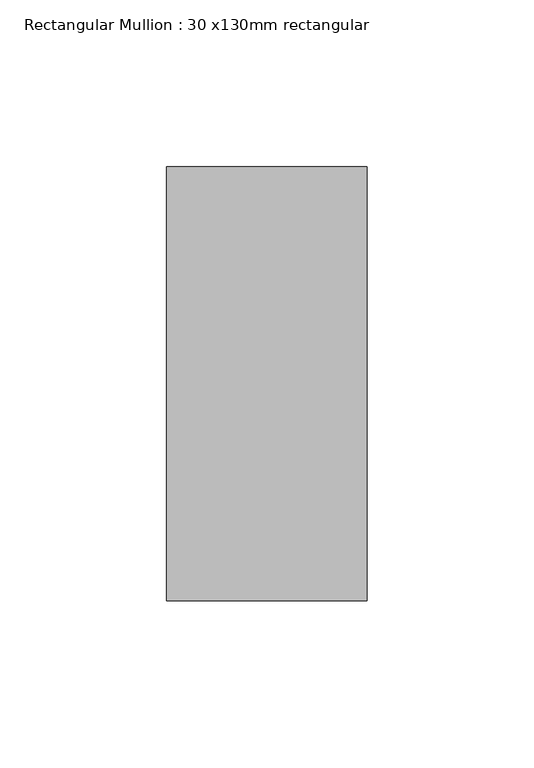
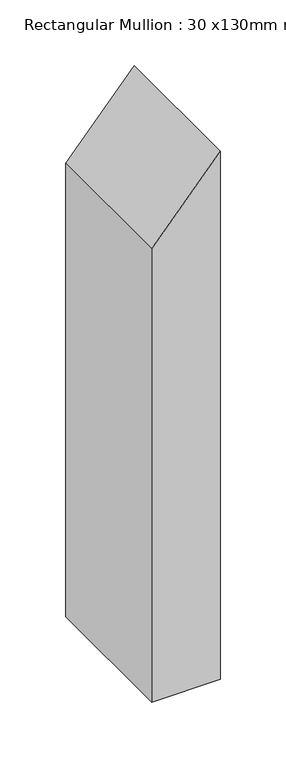
"""IFC4 building model written with IfcOpenShell, lengths in millimetres: member geometry, Rectangular Mullion : 30 x130mm rectangular."""

from ifc_helpers import new_model, si_unit, frame, origin, place, context, project, spatial, polyline, outline, extrude, source, transform, mapped, element, save


def rectangular_mullion_30_x130mm_rectangular_c7d104e1(model_context):
    return source(origin(), model_context, "Body", "SweptSolid", [
        extrude(outline(polyline([(0.0, 0.0), (-69.2820323, -60.0), (-489.331439, -60.0), (-489.331439, 0.0), (0.0, 0.0)])), frame((0.0, -65.0, 0.0), z_axis=(0.0, 1.0, 0.0), x_axis=(0.0, 0.0, 1.0)), (0.0, 0.0, 1.0), 130.0),
    ])


if __name__ == "__main__":
    model = new_model("IFC4")
    model_context = context("Model", 3, world=origin())
    ifc_project = project(units=[si_unit("LENGTHUNIT", "METRE", prefix="MILLI")], contexts=[model_context])
    site = spatial("IfcSite", under=ifc_project)
    building = spatial("IfcBuilding", under=site)
    placement = place(None, origin())
    rectangular_mullion_30_x130mm_rectangular_shape = rectangular_mullion_30_x130mm_rectangular_c7d104e1(model_context)
    element("IfcMember", 1, ObjectType="Rectangular Mullion : 30 x130mm rectangular", at=placement, inside=building, context=model_context, shape_type="MappedRepresentation", body=[
        mapped(rectangular_mullion_30_x130mm_rectangular_shape, transform((0.0, 0.0, 0.0), x_axis=(1.0, 0.0, 0.0), y_axis=(0.0, 1.0, 0.0), z_axis=(0.0, 0.0, 1.0))),
    ])
    save(model, "model.ifc")
